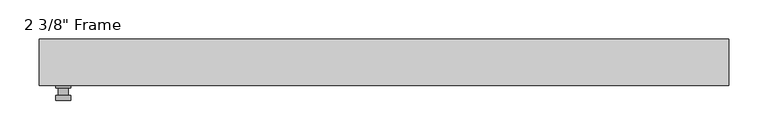
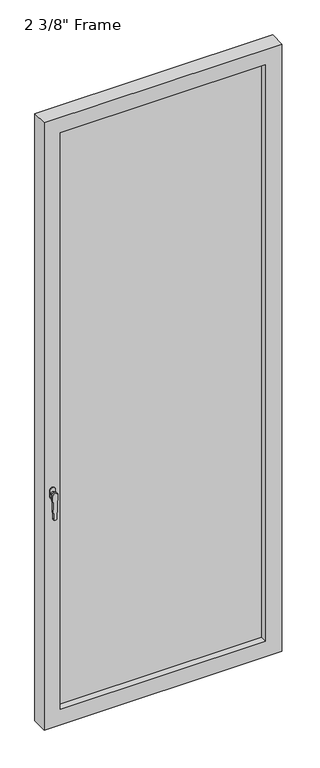
"""IFC4 building model written with IfcOpenShell, lengths in millimetres: plate geometry."""

import ifcopenshell
import ifcopenshell.guid

model = None  # the IFC model being written
_history = None  # IfcOwnerHistory: only IFC2X3 demands one
_inside = {}  # id of a spatial element -> (the spatial element, [elements in it])
_under = {}  # id of a project, library or spatial element -> (it, [spatial elements below it])
_declared = {}  # id of a project -> (the project, [libraries it declares])
_typed = {}  # id of a type object -> (the type object, [elements of that type])
_made_of = {}  # id of a material, layer set ... -> (it, [elements and type objects made of it])


def new_model(schema):
    """Start an empty IFC model of exactly this schema.

    Asked for "IFC4X3", IfcOpenShell would pick the latest addendum, in which some entities
    have other attributes; the version numbers below select the first issue.
    IFC2X3 requires an IfcOwnerHistory on every rooted entity: one is made here for all.
    """
    global model, _history
    if schema == "IFC4X3":
        model = ifcopenshell.file(schema_version=(4, 3, 0, 0))
    else:
        model = ifcopenshell.file(schema=schema)
    _inside.clear()
    _under.clear()
    _declared.clear()
    _typed.clear()
    _made_of.clear()
    _history = None
    if model.schema == "IFC2X3":
        org = make("IfcOrganization", Name="unknown")
        user = make(
            "IfcPersonAndOrganization",
            ThePerson=make("IfcPerson", FamilyName="unknown"),
            TheOrganization=org,
        )
        app = make(
            "IfcApplication",
            ApplicationDeveloper=org,
            Version="unknown",
            ApplicationFullName="unknown",
            ApplicationIdentifier="unknown",
        )
        _history = make(
            "IfcOwnerHistory",
            OwningUser=user,
            OwningApplication=app,
            ChangeAction="ADDED",
            CreationDate=0,
        )
    return model


def make(cls, **values):
    """One entity of the class cls with the attributes given. An attribute that is None is left unset."""
    return model.create_entity(
        cls, **{name: value for name, value in values.items() if value is not None}
    )


def rooted(cls, **values):
    """An entity with a GlobalId (a new one), such as an element, a storey or a relation."""
    return make(cls, GlobalId=ifcopenshell.guid.new(), OwnerHistory=_history, **values)


def si_unit(unit_type, name, prefix=None):
    """IfcSIUnit, for example si_unit("LENGTHUNIT", "METRE", prefix="MILLI")."""
    return make("IfcSIUnit", UnitType=unit_type, Prefix=prefix, Name=name)


def assignment(units):
    """IfcUnitAssignment: the units of a project."""
    return None if units is None else make("IfcUnitAssignment", Units=units)


def point(xyz):
    """IfcCartesianPoint."""
    return None if xyz is None else make("IfcCartesianPoint", Coordinates=xyz)


def direction(xyz):
    """IfcDirection."""
    return None if xyz is None else make("IfcDirection", DirectionRatios=xyz)


def frame(location, z_axis=None, x_axis=None):
    """IfcAxis2Placement3D, a coordinate frame: its origin and axes. An axis left out is left unset."""
    return make(
        "IfcAxis2Placement3D",
        Location=point(location),
        Axis=direction(z_axis),
        RefDirection=direction(x_axis),
    )


def origin():
    """The frame at (0, 0, 0) with its axes left unset."""
    return frame((0.0, 0.0, 0.0))


def place(relative_to, where):
    """IfcLocalPlacement: puts the frame where relative to a parent placement (None: the world)."""
    return make(
        "IfcLocalPlacement", PlacementRelTo=relative_to, RelativePlacement=where
    )


def context(
    kind, dimensions, precision=None, world=None, true_north=None, identifier=None
):
    """IfcGeometricRepresentationContext, for example the 3D "Model" context."""
    return make(
        "IfcGeometricRepresentationContext",
        ContextIdentifier=identifier,
        ContextType=kind,
        CoordinateSpaceDimension=dimensions,
        Precision=precision,
        WorldCoordinateSystem=world,
        TrueNorth=true_north,
    )


def project(units=None, contexts=None):
    """IfcProject with its units and contexts."""
    return rooted(
        "IfcProject",
        Name="project",
        RepresentationContexts=contexts,
        UnitsInContext=assignment(units),
    )


def spatial(cls, under=None, at=None, **own):
    """A site, building, storey or space (cls), placed at a placement, below another one or the project."""
    s = rooted(cls, ObjectPlacement=at, **own)
    if under is not None:
        _under.setdefault(under.id(), (under, []))[1].append(s)
    return s


def polyline(points):
    """IfcPolyline through the points."""
    return make("IfcPolyline", Points=[point(p) for p in points])


def circle_curve(where, radius):
    """IfcCircle in the frame where."""
    return make("IfcCircle", Position=where, Radius=radius)


def outline(outer, holes=None, kind="AREA"):
    """IfcArbitraryClosedProfileDef: a profile drawn as a closed curve; with holes, ...WithVoids."""
    if holes is None:
        return make("IfcArbitraryClosedProfileDef", ProfileType=kind, OuterCurve=outer)
    return make(
        "IfcArbitraryProfileDefWithVoids",
        ProfileType=kind,
        OuterCurve=outer,
        InnerCurves=holes,
    )


def extrude(swept, where, along, depth):
    """IfcExtrudedAreaSolid: the profile swept, set in the frame where, extruded along a direction by depth."""
    return make(
        "IfcExtrudedAreaSolid",
        SweptArea=swept,
        Position=where,
        ExtrudedDirection=direction(along),
        Depth=depth,
    )


def faces_of(points, faces, orient=None, outer=None):
    """IfcFace entities. A face is a list of loops; a loop is a list of indices into points, from 0.

    orient and outer hold one flag for each loop. By default every Orientation is true, the
    first loop of a face is its IfcFaceOuterBound and the others are IfcFaceBound.
    """
    made = []
    for i, loops in enumerate(faces):
        bounds = []
        for j, loop in enumerate(loops):
            is_outer = j == 0 if outer is None else outer[i][j]
            bounds.append(
                make(
                    "IfcFaceOuterBound" if is_outer else "IfcFaceBound",
                    Bound=make("IfcPolyLoop", Polygon=[points[k] for k in loop]),
                    Orientation=True if orient is None else orient[i][j],
                )
            )
        made.append(make("IfcFace", Bounds=bounds))
    return made


def faceted_brep(points, faces, orient=None, outer=None, voids=None):
    """IfcFacetedBrep: a solid bounded by flat faces; with voids (closed shells), ...WithVoids."""
    shared = [point(p) for p in points]
    hull = make("IfcClosedShell", CfsFaces=faces_of(shared, faces, orient, outer))
    if voids is None:
        return make("IfcFacetedBrep", Outer=hull)
    return make(
        "IfcFacetedBrepWithVoids",
        Outer=hull,
        Voids=[
            make(cls, CfsFaces=faces_of(shared, fs, o, b)) for cls, fs, o, b in voids
        ],
    )


def shape(context_of_items, identifier, shape_type, items):
    """IfcShapeRepresentation: the items that make up one representation, for example the "Body"."""
    return make(
        "IfcShapeRepresentation",
        ContextOfItems=context_of_items,
        RepresentationIdentifier=identifier,
        RepresentationType=shape_type,
        Items=items,
    )


def source(mapping_origin, context_of_items, identifier, shape_type, items):
    """IfcRepresentationMap: a shape defined once, which mapped items show again and again."""
    return make(
        "IfcRepresentationMap",
        MappingOrigin=mapping_origin,
        MappedRepresentation=shape(context_of_items, identifier, shape_type, items),
    )


def transform(
    local_origin,
    x_axis=None,
    y_axis=None,
    z_axis=None,
    scale=None,
    scale2=None,
    scale3=None,
    uniform=True,
):
    """IfcCartesianTransformationOperator3D, or its non-uniform kind. x_axis, y_axis, z_axis: its Axis1, 2, 3."""
    if uniform:
        return make(
            "IfcCartesianTransformationOperator3D",
            Axis1=direction(x_axis),
            Axis2=direction(y_axis),
            LocalOrigin=point(local_origin),
            Scale=scale,
            Axis3=direction(z_axis),
        )
    return make(
        "IfcCartesianTransformationOperator3DnonUniform",
        Axis1=direction(x_axis),
        Axis2=direction(y_axis),
        LocalOrigin=point(local_origin),
        Scale=scale,
        Axis3=direction(z_axis),
        Scale2=scale2,
        Scale3=scale3,
    )


def mapped(mapping_source, mapping_target):
    """IfcMappedItem: shows the shape of a source again, moved by a transform."""
    return make(
        "IfcMappedItem", MappingSource=mapping_source, MappingTarget=mapping_target
    )


def made_of(thing, what):
    """Note that an element or type object is made of a material, layer set ...; save() writes the relation."""
    if what is not None:
        _made_of.setdefault(what.id(), (what, []))[1].append(thing)
    return thing


def element(
    cls,
    number,
    at=None,
    inside=None,
    cuts=None,
    type_object=None,
    material=None,
    context=None,
    identifier="Body",
    shape_type=None,
    held_by="IfcProductDefinitionShape",
    body=None,
    shapes=None,
    **own,
):
    """One element of the class cls, such as IfcWall. Its Tag is "e" and its number.

    at: its placement. inside: the storey or other place that contains it. cuts: it is an
    opening in that element (IfcRelVoidsElement). A single representation is given by context,
    identifier, shape_type and body (its items); several are given by shapes. held_by: the class
    of the entity that holds the representations. save() writes the other relations.
    """
    e = rooted(cls, Tag="e%d" % number, ObjectPlacement=at, **own)
    if body is not None:
        shapes = [shape(context, identifier, shape_type, body)]
    if shapes is not None:
        e.Representation = make(held_by, Representations=shapes)
    if inside is not None:
        _inside.setdefault(inside.id(), (inside, []))[1].append(e)
    if cuts is not None:
        rooted(
            "IfcRelVoidsElement", RelatingBuildingElement=cuts, RelatedOpeningElement=e
        )
    if type_object is not None:
        _typed.setdefault(type_object.id(), (type_object, []))[1].append(e)
    return made_of(e, material)


def aggregate(whole, parts):
    """IfcRelAggregates: a whole, such as a stair, and the parts it consists of."""
    return rooted("IfcRelAggregates", RelatingObject=whole, RelatedObjects=parts)


def save(model, path):
    """Write the relations noted so far, then the file.

    IfcRelAggregates (storeys below a building ...), IfcRelContainedInSpatialStructure (elements
    in a storey), IfcRelDefinesByType, IfcRelAssociatesMaterial and IfcRelDeclares: one each for
    every whole, place, type object, material and project.
    """
    for whole, parts in _under.values():
        aggregate(whole, parts)
    for where, things in _inside.values():
        rooted(
            "IfcRelContainedInSpatialStructure",
            RelatedElements=things,
            RelatingStructure=where,
        )
    for kind, things in _typed.values():
        rooted("IfcRelDefinesByType", RelatedObjects=things, RelatingType=kind)
    for what, things in _made_of.values():
        rooted("IfcRelAssociatesMaterial", RelatedObjects=things, RelatingMaterial=what)
    for by, libraries in _declared.values():
        rooted("IfcRelDeclares", RelatingContext=by, RelatedDefinitions=libraries)
    model.write(path)


def plane_surface(at):
    """IfcPlane: the flat surface through the origin of the frame at, square to its z axis."""
    return make("IfcPlane", Position=at)


def cylinder_surface(at, radius):
    """IfcCylindricalSurface: all points at the distance radius from the z axis of the frame at."""
    return make("IfcCylindricalSurface", Position=at, Radius=radius)


def advanced_brep(points, edges, surfaces, faces):
    """IfcAdvancedBrep: a solid bounded by faces that lie on surfaces and meet in shared edges.

    An edge is (start, end): straight between two places in points (the first is 0);
    or (start, end, curve); or (start, end, curve, False) where it runs against its curve.
    A face is (place in surfaces, loops), or (place, loops, False) where it looks against
    its surface's normal. A loop lists edges by number (the first is 1), with a minus sign
    where the edge is run from its end to its start. The first loop is the outer one.
    """
    corners = [point(p) for p in points]
    vertices = [make("IfcVertexPoint", VertexGeometry=c) for c in corners]
    made = []
    for start, end, *more in edges:
        made.append(
            make(
                "IfcEdgeCurve",
                EdgeStart=vertices[start],
                EdgeEnd=vertices[end],
                EdgeGeometry=more[0] if more else make("IfcPolyline", Points=[corners[start], corners[end]]),
                SameSense=more[1] if len(more) > 1 else True,
            )
        )
    hull = []
    for where, loops, *sense in faces:
        bounds = []
        for j, loop in enumerate(loops):
            ring = [make("IfcOrientedEdge", EdgeElement=made[abs(k) - 1], Orientation=k > 0) for k in loop]
            bounds.append(
                make(
                    "IfcFaceOuterBound" if j == 0 else "IfcFaceBound",
                    Bound=make("IfcEdgeLoop", EdgeList=ring),
                    Orientation=True,
                )
            )
        hull.append(make("IfcAdvancedFace", Bounds=bounds, FaceSurface=surfaces[where], SameSense=sense[0] if sense else True))
    return make("IfcAdvancedBrep", Outer=make("IfcClosedShell", CfsFaces=hull))


def plate_288dd1ca(model_context):
    return source(origin(), model_context, "Body", "SolidModel", [
        advanced_brep(
        [(-398.4625, -29.36875, 927.1), (-398.4625, -29.36875, 901.7), (-417.5125, -29.36875, 901.7), (-417.5125, -29.36875, 927.1), (-401.6375, -42.06875, 914.4), (-414.3375, -42.06875, 914.4), (-414.3375, -32.54375, 914.4), (-401.6375, -32.54375, 914.4), (-398.4625, -42.06875, 914.4), (-401.6415356, -42.06875, 825.2736467), (-414.3334644, -42.06875, 825.2736467), (-417.5125, -42.06875, 914.4), (-398.4625, -48.41875, 914.4), (-417.5125, -48.41875, 914.4), (-414.3334644, -48.41875, 825.2736467), (-401.6415356, -48.41875, 825.2736467), (-398.4625, -32.54375, 927.1), (-417.5125, -32.54375, 927.1), (-417.5125, -32.54375, 901.7), (-398.4625, -32.54375, 901.7)],
        [
            (0, 1),
            (1, 2, circle_curve(frame((-407.9875, -29.36875, 901.7), z_axis=(0.0, 1.0, 0.0), x_axis=(-1.0, 0.0, 0.0)), 9.525)),
            (2, 3),
            (3, 0, circle_curve(frame((-407.9875, -29.36875, 927.1), z_axis=(0.0, 1.0, 0.0), x_axis=(-1.0, 0.0, 0.0)), 9.525)),
            (4, 5, circle_curve(frame((-407.9875, -42.06875, 914.4), z_axis=(0.0, 1.0, 0.0), x_axis=(-1.0, 0.0, 0.0)), 6.35)),
            (5, 6),
            (6, 7, circle_curve(frame((-407.9875, -32.54375, 914.4), z_axis=(0.0, -1.0, 0.0), x_axis=(-1.0, 0.0, 0.0)), 6.35)),
            (7, 4),
            (5, 4, circle_curve(frame((-407.9875, -42.06875, 914.4), z_axis=(0.0, 1.0, 0.0), x_axis=(-1.0, 0.0, 0.0)), 6.35)),
            (7, 6, circle_curve(frame((-407.9875, -32.54375, 914.4), z_axis=(0.0, -1.0, 0.0), x_axis=(-1.0, 0.0, 0.0)), 6.35)),
            (8, 9),
            (9, 10, circle_curve(frame((-407.9875, -42.06875, 825.5), z_axis=(0.0, 1.0, 0.0), x_axis=(-1.0, 0.0, 0.0)), 6.35)),
            (10, 11),
            (11, 8, circle_curve(frame((-407.9875, -42.06875, 914.4), z_axis=(0.0, 1.0, 0.0), x_axis=(-1.0, 0.0, 0.0)), 9.525)),
            (12, 13, circle_curve(frame((-407.9875, -48.41875, 914.4), z_axis=(0.0, -1.0, 0.0), x_axis=(-1.0, 0.0, 0.0)), 9.525)),
            (13, 14),
            (14, 15, circle_curve(frame((-407.9875, -48.41875, 825.5), z_axis=(0.0, -1.0, 0.0), x_axis=(-1.0, 0.0, 0.0)), 6.35)),
            (15, 12),
            (8, 12),
            (15, 9),
            (14, 10),
            (13, 11),
            (16, 17, circle_curve(frame((-407.9875, -32.54375, 927.1), z_axis=(0.0, -1.0, 0.0), x_axis=(-1.0, 0.0, 0.0)), 9.525)),
            (17, 18),
            (18, 19, circle_curve(frame((-407.9875, -32.54375, 901.7), z_axis=(0.0, -1.0, 0.0), x_axis=(-1.0, 0.0, 0.0)), 9.525)),
            (19, 16),
            (0, 16),
            (19, 1),
            (18, 2),
            (17, 3),
        ],
        [
            plane_surface(frame((-414.3375, -29.36875, 914.4), z_axis=(0.0, 1.0, 0.0), x_axis=(0.0, 0.0, 1.0))),
            cylinder_surface(frame((-407.9875, -42.06875, 914.4), z_axis=(0.0, 1.0, 0.0), x_axis=(-1.0, 0.0, 0.0)), 6.35),
            plane_surface(frame((-398.4625, -42.06875, 914.4), z_axis=(0.0, 1.0000000000000002, 0.0), x_axis=(-0.03564619348186888, 0.0, -0.9993644724975235))),
            plane_surface(frame((-398.4625, -48.41875, 914.4), z_axis=(0.0, -1.0000000000000002, 0.0), x_axis=(0.03564619348186888, 0.0, 0.9993644724975235))),
            plane_surface(frame((-398.4625, -42.06875, 914.4), z_axis=(0.9993644724975235, 0.0, -0.03564619348186888), x_axis=(0.0, -1.0, 0.0))),
            cylinder_surface(frame((-407.9875, -48.41875, 825.5), z_axis=(0.0, 1.0, 0.0), x_axis=(-1.0, 0.0, 0.0)), 6.35),
            plane_surface(frame((-414.3334644, -42.06875, 825.2736467), z_axis=(-0.9993644724975228, 0.0, -0.03564619348188612), x_axis=(0.0, -1.0, 0.0))),
            cylinder_surface(frame((-407.9875, -48.41875, 914.4), z_axis=(0.0, 1.0, 0.0), x_axis=(-1.0, 0.0, 0.0)), 9.525),
            plane_surface(frame((-398.4625, -32.54375, 901.7), z_axis=(0.0, -1.0, 0.0), x_axis=(0.0, 0.0, 1.0))),
            plane_surface(frame((-398.4625, -29.36875, 927.1), z_axis=(1.0, 0.0, 0.0), x_axis=(0.0, -1.0, 0.0))),
            cylinder_surface(frame((-407.9875, -32.54375, 901.7), z_axis=(0.0, 1.0, 0.0), x_axis=(-1.0, 0.0, 0.0)), 9.525),
            plane_surface(frame((-417.5125, -29.36875, 901.7), z_axis=(-1.0, 0.0, 0.0), x_axis=(0.0, -1.0, 0.0))),
            cylinder_surface(frame((-407.9875, -32.54375, 927.1), z_axis=(0.0, 1.0, 0.0), x_axis=(-1.0, 0.0, 0.0)), 9.525),
        ],
        [
            (0, [[1, 2, 3, 4]]),
            (1, [[5, 6, 7, 8]]),
            (1, [[9, -8, 10, -6]]),
            (2, [[11, 12, 13, 14], [-5, -9]]),
            (3, [[15, 16, 17, 18]]),
            (4, [[-11, 19, -18, 20]]),
            (5, [[-12, -20, -17, 21]]),
            (6, [[-13, -21, -16, 22]]),
            (7, [[-14, -22, -15, -19]]),
            (8, [[23, 24, 25, 26], [-7, -10]]),
            (9, [[-1, 27, -26, 28]]),
            (10, [[-2, -28, -25, 29]]),
            (11, [[-3, -29, -24, 30]]),
            (12, [[-4, -30, -23, -27]]),
        ],
    ),
        faceted_brep([(-438.15, -29.36875, 0.0), (-438.15, 29.36875, 0.0), (438.15, 29.36875, 0.0), (438.15, -29.36875, 0.0), (-377.825, 29.36875, 2306.6375), (-377.825, 19.84375, 2306.6375), (-377.825, 19.84375, 60.325), (-377.825, 29.36875, 60.325), (390.525, 19.84375, 2319.3375), (-390.525, 19.84375, 2319.3375), (-390.525, 19.84375, 47.625), (390.525, 19.84375, 47.625), (377.825, 19.84375, 2306.6375), (377.825, 19.84375, 60.325), (-390.525, -3.96875, 2319.3375), (-390.525, -3.96875, 47.625), (390.525, -3.96875, 2319.3375), (390.525, -3.96875, 47.625), (-377.825, -3.96875, 2306.6375), (-377.825, -3.96875, 60.325), (377.825, -3.96875, 60.325), (377.825, -3.96875, 2306.6375), (-377.825, -29.36875, 2306.6375), (-377.825, -29.36875, 60.325), (438.15, -29.36875, 2366.9625), (-438.15, -29.36875, 2366.9625), (377.825, -29.36875, 2306.6375), (377.825, -29.36875, 60.325), (-438.15, 29.36875, 2366.9625), (438.15, 29.36875, 2366.9625), (377.825, 29.36875, 60.325), (377.825, 29.36875, 2306.6375)], [[[0, 1, 2, 3]], [[4, 5, 6, 7]], [[8, 9, 10, 11], [5, 12, 13, 6]], [[10, 9, 14, 15]], [[14, 16, 17, 15], [18, 19, 20, 21]], [[18, 22, 23, 19]], [[0, 3, 24, 25], [22, 26, 27, 23]], [[1, 0, 25, 28]], [[2, 1, 28, 29], [4, 7, 30, 31]], [[5, 4, 31, 12]], [[9, 8, 16, 14]], [[18, 21, 26, 22]], [[25, 24, 29, 28]], [[12, 31, 30, 13]], [[17, 16, 8, 11]], [[26, 21, 20, 27]], [[24, 3, 2, 29]], [[23, 27, 20, 19]], [[11, 10, 15, 17]], [[6, 13, 30, 7]]]),
        extrude(outline(polyline([(390.525, -3.96875), (-390.525, -3.96875), (-390.525, 19.84375), (390.525, 19.84375), (390.525, -3.96875)])), frame((0.0, 0.0, 47.625), z_axis=(0.0, 0.0, 1.0), x_axis=(1.0, 0.0, 0.0)), (0.0, 0.0, 1.0), 2271.7125),
    ])


if __name__ == "__main__":
    model = new_model("IFC4")
    model_context = context("Model", 3, world=origin())
    ifc_project = project(units=[si_unit("LENGTHUNIT", "METRE", prefix="MILLI")], contexts=[model_context])
    site = spatial("IfcSite", under=ifc_project)
    building = spatial("IfcBuilding", under=site)
    placement = place(None, origin())
    plate_shape = plate_288dd1ca(model_context)
    element("IfcPlate", 1, ObjectType="2 3/8\" Frame", at=placement, inside=building, context=model_context, shape_type="MappedRepresentation", body=[
        mapped(plate_shape, transform((0.0, 0.0, 0.0), x_axis=(1.0, 0.0, 0.0), y_axis=(0.0, 1.0, 0.0), z_axis=(0.0, 0.0, 1.0))),
    ])
    save(model, "model.ifc")
